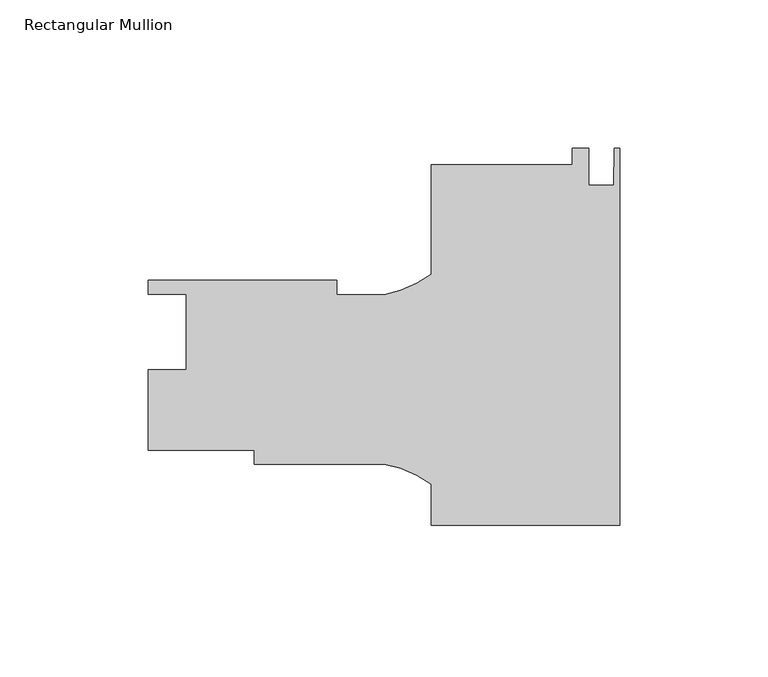
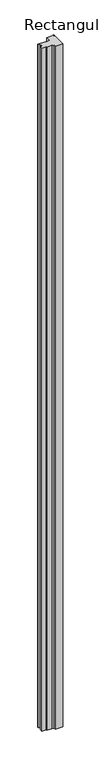
"""IFC4 building model written with IfcOpenShell, lengths in millimetres: member geometry, Rectangular Mullion."""

from ifc_helpers import new_model, si_unit, point, frame, frame_2d, origin, place, context, project, spatial, polyline, circle_curve, trimmed, segment, composite_curve, outline, extrude, source, transform, mapped, element, save


def rectangular_mullion_ac6fe8df(model_context):
    return source(origin(), model_context, "Body", "SweptSolid", [
        extrude(outline(composite_curve([segment(polyline([(0.0, -64.284225), (-63.5, -64.284225), (-63.5, -50.5011403)]), True, "CONTINUOUS"), segment(trimmed(circle_curve(frame_2d((-85.6843006, -80.0451774)), 36.945816), [point((-63.5, -50.5011403))], [point((-79.3172861, -43.6521225))], True, "CARTESIAN"), True, "CONTINUOUS"), segment(polyline([(-79.3172861, -43.6521225), (-123.1500517, -43.6521225), (-123.1500517, -38.8896225), (-158.75, -38.8896225), (-158.75, -11.8386225), (-146.05, -11.8386225), (-146.05, 13.5613775), (-158.75, 13.5613775), (-158.75, 18.2603775), (-95.25, 18.2603775), (-95.25, 13.4978775), (-79.3187366, 13.4978775)]), True, "CONTINUOUS"), segment(trimmed(circle_curve(frame_2d((-85.6843006, 49.8911862)), 36.945816), [point((-79.3187366, 13.4978775))], [point((-63.5, 20.3471491))], True, "CARTESIAN"), True, "CONTINUOUS"), segment(polyline([(-63.5, 20.3471491), (-63.5, 57.153175), (-15.875, 57.153175), (-15.875, 62.7292868), (-10.3124, 62.7292868), (-10.3124, 50.371375), (-2.032, 50.371375), (-1.778, 62.715775), (0.0, 62.715775), (0.0, -64.284225)]), True, "CONTINUOUS")], self_intersect=False)), frame((0.0, 0.0, -6032.5), z_axis=(0.0, 0.0, 1.0), x_axis=(1.0, 0.0, 0.0)), (0.0, 0.0, 1.0), 6032.5),
    ])


if __name__ == "__main__":
    model = new_model("IFC4")
    model_context = context("Model", 3, world=origin())
    ifc_project = project(units=[si_unit("LENGTHUNIT", "METRE", prefix="MILLI")], contexts=[model_context])
    site = spatial("IfcSite", under=ifc_project)
    building = spatial("IfcBuilding", under=site)
    placement = place(None, origin())
    rectangular_mullion_shape = rectangular_mullion_ac6fe8df(model_context)
    element("IfcMember", 1, ObjectType="Rectangular Mullion", at=placement, inside=building, context=model_context, shape_type="MappedRepresentation", body=[
        mapped(rectangular_mullion_shape, transform((0.0, 0.0, 0.0), x_axis=(1.0, 0.0, 0.0), y_axis=(0.0, 1.0, 0.0), z_axis=(0.0, 0.0, 1.0))),
    ])
    save(model, "model.ifc")
